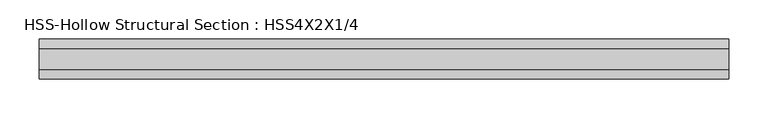
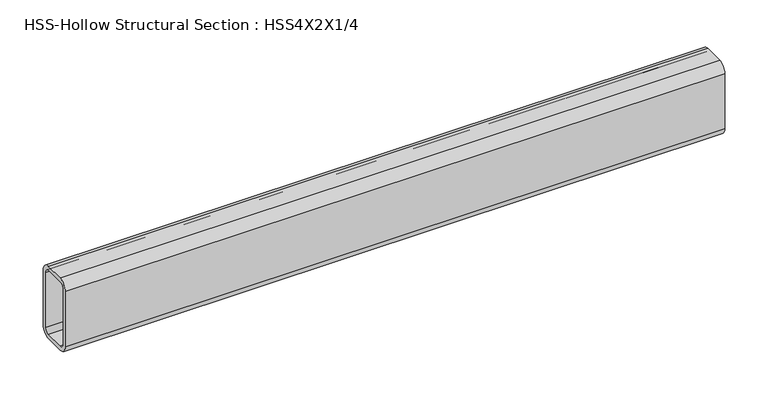
"""IFC4 building model written with IfcOpenShell, lengths in millimetres: beam geometry, HSS-Hollow Structural Section : HSS4X2X1/4."""

import ifcopenshell
import ifcopenshell.guid

model = None  # the IFC model being written
_history = None  # IfcOwnerHistory: only IFC2X3 demands one
_inside = {}  # id of a spatial element -> (the spatial element, [elements in it])
_under = {}  # id of a project, library or spatial element -> (it, [spatial elements below it])
_declared = {}  # id of a project -> (the project, [libraries it declares])
_typed = {}  # id of a type object -> (the type object, [elements of that type])
_made_of = {}  # id of a material, layer set ... -> (it, [elements and type objects made of it])


def new_model(schema):
    """Start an empty IFC model of exactly this schema.

    Asked for "IFC4X3", IfcOpenShell would pick the latest addendum, in which some entities
    have other attributes; the version numbers below select the first issue.
    IFC2X3 requires an IfcOwnerHistory on every rooted entity: one is made here for all.
    """
    global model, _history
    if schema == "IFC4X3":
        model = ifcopenshell.file(schema_version=(4, 3, 0, 0))
    else:
        model = ifcopenshell.file(schema=schema)
    _inside.clear()
    _under.clear()
    _declared.clear()
    _typed.clear()
    _made_of.clear()
    _history = None
    if model.schema == "IFC2X3":
        org = make("IfcOrganization", Name="unknown")
        user = make(
            "IfcPersonAndOrganization",
            ThePerson=make("IfcPerson", FamilyName="unknown"),
            TheOrganization=org,
        )
        app = make(
            "IfcApplication",
            ApplicationDeveloper=org,
            Version="unknown",
            ApplicationFullName="unknown",
            ApplicationIdentifier="unknown",
        )
        _history = make(
            "IfcOwnerHistory",
            OwningUser=user,
            OwningApplication=app,
            ChangeAction="ADDED",
            CreationDate=0,
        )
    return model


def make(cls, **values):
    """One entity of the class cls with the attributes given. An attribute that is None is left unset."""
    return model.create_entity(
        cls, **{name: value for name, value in values.items() if value is not None}
    )


def rooted(cls, **values):
    """An entity with a GlobalId (a new one), such as an element, a storey or a relation."""
    return make(cls, GlobalId=ifcopenshell.guid.new(), OwnerHistory=_history, **values)


def si_unit(unit_type, name, prefix=None):
    """IfcSIUnit, for example si_unit("LENGTHUNIT", "METRE", prefix="MILLI")."""
    return make("IfcSIUnit", UnitType=unit_type, Prefix=prefix, Name=name)


def assignment(units):
    """IfcUnitAssignment: the units of a project."""
    return None if units is None else make("IfcUnitAssignment", Units=units)


def point(xyz):
    """IfcCartesianPoint."""
    return None if xyz is None else make("IfcCartesianPoint", Coordinates=xyz)


def direction(xyz):
    """IfcDirection."""
    return None if xyz is None else make("IfcDirection", DirectionRatios=xyz)


def frame(location, z_axis=None, x_axis=None):
    """IfcAxis2Placement3D, a coordinate frame: its origin and axes. An axis left out is left unset."""
    return make(
        "IfcAxis2Placement3D",
        Location=point(location),
        Axis=direction(z_axis),
        RefDirection=direction(x_axis),
    )


def frame_2d(location, x_axis=None):
    """IfcAxis2Placement2D, a coordinate frame in the plane: its origin and x axis."""
    return make(
        "IfcAxis2Placement2D", Location=point(location), RefDirection=direction(x_axis)
    )


def origin():
    """The frame at (0, 0, 0) with its axes left unset."""
    return frame((0.0, 0.0, 0.0))


def place(relative_to, where):
    """IfcLocalPlacement: puts the frame where relative to a parent placement (None: the world)."""
    return make(
        "IfcLocalPlacement", PlacementRelTo=relative_to, RelativePlacement=where
    )


def context(
    kind, dimensions, precision=None, world=None, true_north=None, identifier=None
):
    """IfcGeometricRepresentationContext, for example the 3D "Model" context."""
    return make(
        "IfcGeometricRepresentationContext",
        ContextIdentifier=identifier,
        ContextType=kind,
        CoordinateSpaceDimension=dimensions,
        Precision=precision,
        WorldCoordinateSystem=world,
        TrueNorth=true_north,
    )


def project(units=None, contexts=None):
    """IfcProject with its units and contexts."""
    return rooted(
        "IfcProject",
        Name="project",
        RepresentationContexts=contexts,
        UnitsInContext=assignment(units),
    )


def spatial(cls, under=None, at=None, **own):
    """A site, building, storey or space (cls), placed at a placement, below another one or the project."""
    s = rooted(cls, ObjectPlacement=at, **own)
    if under is not None:
        _under.setdefault(under.id(), (under, []))[1].append(s)
    return s


def polyline(points):
    """IfcPolyline through the points."""
    return make("IfcPolyline", Points=[point(p) for p in points])


def circle_curve(where, radius):
    """IfcCircle in the frame where."""
    return make("IfcCircle", Position=where, Radius=radius)


def trimmed(basis, trim1, trim2, sense, master):
    """IfcTrimmedCurve: the piece of a basis curve between two trims."""
    return make(
        "IfcTrimmedCurve",
        BasisCurve=basis,
        Trim1=trim1,
        Trim2=trim2,
        SenseAgreement=sense,
        MasterRepresentation=master,
    )


def segment(curve, same_sense, transition):
    """IfcCompositeCurveSegment."""
    return make(
        "IfcCompositeCurveSegment",
        Transition=transition,
        SameSense=same_sense,
        ParentCurve=curve,
    )


def composite_curve(segments, self_intersect=None):
    """IfcCompositeCurve: segments joined end to end."""
    return make("IfcCompositeCurve", Segments=segments, SelfIntersect=self_intersect)


def outline(outer, holes=None, kind="AREA"):
    """IfcArbitraryClosedProfileDef: a profile drawn as a closed curve; with holes, ...WithVoids."""
    if holes is None:
        return make("IfcArbitraryClosedProfileDef", ProfileType=kind, OuterCurve=outer)
    return make(
        "IfcArbitraryProfileDefWithVoids",
        ProfileType=kind,
        OuterCurve=outer,
        InnerCurves=holes,
    )


def extrude(swept, where, along, depth):
    """IfcExtrudedAreaSolid: the profile swept, set in the frame where, extruded along a direction by depth."""
    return make(
        "IfcExtrudedAreaSolid",
        SweptArea=swept,
        Position=where,
        ExtrudedDirection=direction(along),
        Depth=depth,
    )


def shape(context_of_items, identifier, shape_type, items):
    """IfcShapeRepresentation: the items that make up one representation, for example the "Body"."""
    return make(
        "IfcShapeRepresentation",
        ContextOfItems=context_of_items,
        RepresentationIdentifier=identifier,
        RepresentationType=shape_type,
        Items=items,
    )


def source(mapping_origin, context_of_items, identifier, shape_type, items):
    """IfcRepresentationMap: a shape defined once, which mapped items show again and again."""
    return make(
        "IfcRepresentationMap",
        MappingOrigin=mapping_origin,
        MappedRepresentation=shape(context_of_items, identifier, shape_type, items),
    )


def transform(
    local_origin,
    x_axis=None,
    y_axis=None,
    z_axis=None,
    scale=None,
    scale2=None,
    scale3=None,
    uniform=True,
):
    """IfcCartesianTransformationOperator3D, or its non-uniform kind. x_axis, y_axis, z_axis: its Axis1, 2, 3."""
    if uniform:
        return make(
            "IfcCartesianTransformationOperator3D",
            Axis1=direction(x_axis),
            Axis2=direction(y_axis),
            LocalOrigin=point(local_origin),
            Scale=scale,
            Axis3=direction(z_axis),
        )
    return make(
        "IfcCartesianTransformationOperator3DnonUniform",
        Axis1=direction(x_axis),
        Axis2=direction(y_axis),
        LocalOrigin=point(local_origin),
        Scale=scale,
        Axis3=direction(z_axis),
        Scale2=scale2,
        Scale3=scale3,
    )


def mapped(mapping_source, mapping_target):
    """IfcMappedItem: shows the shape of a source again, moved by a transform."""
    return make(
        "IfcMappedItem", MappingSource=mapping_source, MappingTarget=mapping_target
    )


def made_of(thing, what):
    """Note that an element or type object is made of a material, layer set ...; save() writes the relation."""
    if what is not None:
        _made_of.setdefault(what.id(), (what, []))[1].append(thing)
    return thing


def element(
    cls,
    number,
    at=None,
    inside=None,
    cuts=None,
    type_object=None,
    material=None,
    context=None,
    identifier="Body",
    shape_type=None,
    held_by="IfcProductDefinitionShape",
    body=None,
    shapes=None,
    **own,
):
    """One element of the class cls, such as IfcWall. Its Tag is "e" and its number.

    at: its placement. inside: the storey or other place that contains it. cuts: it is an
    opening in that element (IfcRelVoidsElement). A single representation is given by context,
    identifier, shape_type and body (its items); several are given by shapes. held_by: the class
    of the entity that holds the representations. save() writes the other relations.
    """
    e = rooted(cls, Tag="e%d" % number, ObjectPlacement=at, **own)
    if body is not None:
        shapes = [shape(context, identifier, shape_type, body)]
    if shapes is not None:
        e.Representation = make(held_by, Representations=shapes)
    if inside is not None:
        _inside.setdefault(inside.id(), (inside, []))[1].append(e)
    if cuts is not None:
        rooted(
            "IfcRelVoidsElement", RelatingBuildingElement=cuts, RelatedOpeningElement=e
        )
    if type_object is not None:
        _typed.setdefault(type_object.id(), (type_object, []))[1].append(e)
    return made_of(e, material)


def aggregate(whole, parts):
    """IfcRelAggregates: a whole, such as a stair, and the parts it consists of."""
    return rooted("IfcRelAggregates", RelatingObject=whole, RelatedObjects=parts)


def save(model, path):
    """Write the relations noted so far, then the file.

    IfcRelAggregates (storeys below a building ...), IfcRelContainedInSpatialStructure (elements
    in a storey), IfcRelDefinesByType, IfcRelAssociatesMaterial and IfcRelDeclares: one each for
    every whole, place, type object, material and project.
    """
    for whole, parts in _under.values():
        aggregate(whole, parts)
    for where, things in _inside.values():
        rooted(
            "IfcRelContainedInSpatialStructure",
            RelatedElements=things,
            RelatingStructure=where,
        )
    for kind, things in _typed.values():
        rooted("IfcRelDefinesByType", RelatedObjects=things, RelatingType=kind)
    for what, things in _made_of.values():
        rooted("IfcRelAssociatesMaterial", RelatedObjects=things, RelatingMaterial=what)
    for by, libraries in _declared.values():
        rooted("IfcRelDeclares", RelatingContext=by, RelatedDefinitions=libraries)
    model.write(path)


def hss_hollow_structural_section_hss4x2x1_4_6c2b5943(model_context):
    return source(origin(), model_context, "Body", "SweptSolid", [
        extrude(outline(composite_curve([segment(polyline([(25.4, 38.9636), (25.4, -38.9636)]), True, "CONTINUOUS"), segment(trimmed(circle_curve(frame_2d((13.5636, -38.9636)), 11.8364), [point((25.4, -38.9636))], [point((13.5636, -50.8))], False, "CARTESIAN"), True, "CONTINUOUS"), segment(polyline([(13.5636, -50.8), (-13.5636, -50.8)]), True, "CONTINUOUS"), segment(trimmed(circle_curve(frame_2d((-13.5636, -38.9636)), 11.8364), [point((-13.5636, -50.8))], [point((-25.4, -38.9636))], False, "CARTESIAN"), True, "CONTINUOUS"), segment(polyline([(-25.4, -38.9636), (-25.4, 38.9636)]), True, "CONTINUOUS"), segment(trimmed(circle_curve(frame_2d((-13.5636, 38.9636)), 11.8364), [point((-25.4, 38.9636))], [point((-13.5636, 50.8))], False, "CARTESIAN"), True, "CONTINUOUS"), segment(polyline([(-13.5636, 50.8), (13.5636, 50.8)]), True, "CONTINUOUS"), segment(trimmed(circle_curve(frame_2d((13.5636, 38.9636)), 11.8364), [point((13.5636, 50.8))], [point((25.4, 38.9636))], False, "CARTESIAN"), True, "CONTINUOUS")], self_intersect=False), holes=[composite_curve([segment(trimmed(circle_curve(frame_2d((-13.5636, 38.9636)), 5.9182), [point((-13.5636, 44.8818))], [point((-19.4818, 38.9636))], True, "CARTESIAN"), True, "CONTINUOUS"), segment(polyline([(-19.4818, 38.9636), (-19.4818, -38.9636)]), True, "CONTINUOUS"), segment(trimmed(circle_curve(frame_2d((-13.5636, -38.9636)), 5.9182), [point((-19.4818, -38.9636))], [point((-13.5636, -44.8818))], True, "CARTESIAN"), True, "CONTINUOUS"), segment(polyline([(-13.5636, -44.8818), (13.5636, -44.8818)]), True, "CONTINUOUS"), segment(trimmed(circle_curve(frame_2d((13.5636, -38.9636)), 5.9182), [point((13.5636, -44.8818))], [point((19.4818, -38.9636))], True, "CARTESIAN"), True, "CONTINUOUS"), segment(polyline([(19.4818, -38.9636), (19.4818, 38.9636)]), True, "CONTINUOUS"), segment(trimmed(circle_curve(frame_2d((13.5636, 38.9636)), 5.9182), [point((19.4818, 38.9636))], [point((13.5636, 44.8818))], True, "CARTESIAN"), True, "CONTINUOUS"), segment(polyline([(13.5636, 44.8818), (-13.5636, 44.8818)]), True, "CONTINUOUS")], self_intersect=False)]), frame((-438.8488875, 0.0, 0.0), z_axis=(1.0, 0.0, 0.0), x_axis=(0.0, 1.0, 0.0)), (0.0, 0.0, 1.0), 878.2006951),
    ])


if __name__ == "__main__":
    model = new_model("IFC4")
    model_context = context("Model", 3, world=origin())
    ifc_project = project(units=[si_unit("LENGTHUNIT", "METRE", prefix="MILLI")], contexts=[model_context])
    site = spatial("IfcSite", under=ifc_project)
    building = spatial("IfcBuilding", under=site)
    placement = place(None, origin())
    hss_hollow_structural_section_hss4x2x1_4_shape = hss_hollow_structural_section_hss4x2x1_4_6c2b5943(model_context)
    element("IfcBeam", 1, ObjectType="HSS-Hollow Structural Section : HSS4X2X1/4", at=placement, inside=building, context=model_context, shape_type="MappedRepresentation", body=[
        mapped(hss_hollow_structural_section_hss4x2x1_4_shape, transform((0.0, 0.0, 0.0), x_axis=(1.0, 0.0, 0.0), y_axis=(0.0, 1.0, 0.0), z_axis=(0.0, 0.0, 1.0))),
    ])
    save(model, "model.ifc")
